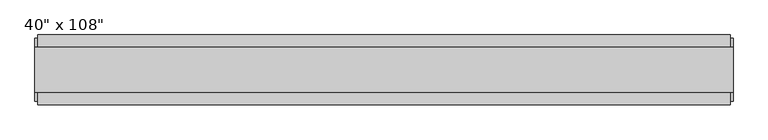
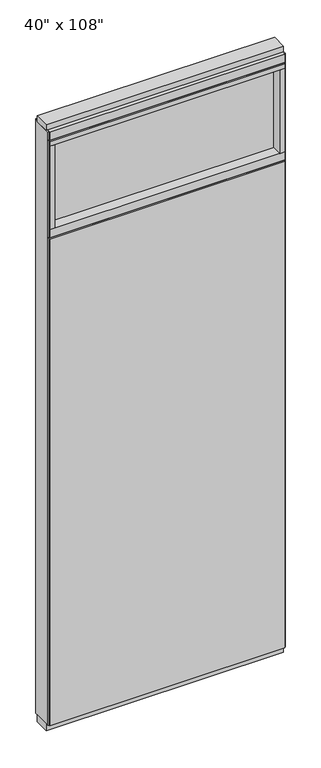
"""IFC4 building model written with IfcOpenShell, lengths in millimetres: furniture geometry."""

from ifc_helpers import new_model, si_unit, frame, origin, origin_with_axes, place, context, project, spatial, polyline, outline, extrude, source, transform, mapped, element, save


def furniture_68f4063a(model_context):
    return source(origin(), model_context, "Body", "SweptSolid", [
        extrude(outline(polyline([(444.0264771, 46.2822784), (444.0264771, 33.5822784), (-564.0995229, 33.5822784), (-564.0995229, 46.2822784), (444.0264771, 46.2822784)])), frame((0.0, 0.0, 31.75), z_axis=(0.0, 0.0, 1.0), x_axis=(1.0, 0.0, 0.0)), (0.0, 0.0, 1.0), 2203.45),
        extrude(outline(polyline([(444.0264771, -55.3177216), (-564.0995229, -55.3177216), (-564.0995229, -42.6177216), (444.0264771, -42.6177216), (444.0264771, -55.3177216)])), frame((0.0, 0.0, 31.75), z_axis=(0.0, 0.0, 1.0), x_axis=(1.0, 0.0, 0.0)), (0.0, 0.0, 1.0), 2203.45),
        extrude(outline(polyline([(421.8014771, -9.5977216), (-541.8745229, -9.5977216), (-541.8745229, 0.5622784), (421.8014771, 0.5622784), (421.8014771, -9.5977216)])), frame((0.0, 0.0, 2276.475), z_axis=(0.0, 0.0, 1.0), x_axis=(1.0, 0.0, 0.0)), (0.0, 0.0, 1.0), 377.825),
        extrude(outline(polyline([(421.8014771, -55.3177216), (421.8014771, 46.2822784), (444.0264771, 46.2822784), (444.0264771, -55.3177216), (421.8014771, -55.3177216)])), frame((0.0, 0.0, 2276.475), z_axis=(0.0, 0.0, 1.0), x_axis=(1.0, 0.0, 0.0)), (0.0, 0.0, 1.0), 377.825),
        extrude(outline(polyline([(-55.3177216, 2240.153), (-55.3177216, 2276.475), (46.2822784, 2276.475), (46.2822784, 2240.153), (41.3292784, 2240.153), (41.3292784, 2235.2), (-50.3647216, 2235.2), (-50.3647216, 2240.153), (-55.3177216, 2240.153)])), frame((-564.0995229, 0.0, 0.0), z_axis=(1.0, 0.0, 0.0), x_axis=(0.0, 1.0, 0.0)), (0.0, 0.0, 1.0), 1008.126),
        extrude(outline(polyline([(-541.8745229, -55.3177216), (-564.0995229, -55.3177216), (-564.0995229, 46.2822784), (-541.8745229, 46.2822784), (-541.8745229, -55.3177216)])), frame((0.0, 0.0, 2276.475), z_axis=(0.0, 0.0, 1.0), x_axis=(1.0, 0.0, 0.0)), (0.0, 0.0, 1.0), 377.825),
        extrude(outline(polyline([(447.9634771, 27.9942784), (447.9634771, -37.0297216), (-568.0365229, -37.0297216), (-568.0365229, 27.9942784), (447.9634771, 27.9942784)])), origin_with_axes(), (0.0, 0.0, 1.0), 31.75),
        extrude(outline(polyline([(-568.0365229, -37.0297216), (-568.0365229, 27.9942784), (447.9634771, 27.9942784), (447.9634771, -37.0297216), (-568.0365229, -37.0297216)])), frame((0.0, 0.0, 2717.8), z_axis=(0.0, 0.0, 1.0), x_axis=(1.0, 0.0, 0.0)), (0.0, 0.0, 1.0), 25.4),
        extrude(outline(polyline([(-55.3177216, 2681.478), (-55.3177216, 2717.8), (46.2822784, 2717.8), (46.2822784, 2681.478), (41.3292784, 2681.478), (41.3292784, 2676.525), (-50.3647216, 2676.525), (-50.3647216, 2681.478), (-55.3177216, 2681.478)])), frame((-564.0995229, 0.0, 0.0), z_axis=(1.0, 0.0, 0.0), x_axis=(0.0, 1.0, 0.0)), (0.0, 0.0, 1.0), 1008.126),
        extrude(outline(polyline([(444.0264771, 46.2822784), (444.0264771, -55.3177216), (-564.0995229, -55.3177216), (-564.0995229, 46.2822784), (444.0264771, 46.2822784)])), frame((0.0, 0.0, 2654.3), z_axis=(0.0, 0.0, 1.0), x_axis=(1.0, 0.0, 0.0)), (0.0, 0.0, 1.0), 22.225),
        extrude(outline(polyline([(447.9634771, -50.3647216), (444.0264771, -50.3647216), (444.0264771, 41.3292784), (447.9634771, 41.3292784), (447.9634771, -50.3647216)])), frame((0.0, 0.0, 31.75), z_axis=(0.0, 0.0, 1.0), x_axis=(1.0, 0.0, 0.0)), (0.0, 0.0, 1.0), 2686.05),
        extrude(outline(polyline([(-568.0365229, -50.3647216), (-568.0365229, 41.3292784), (-564.0995229, 41.3292784), (-564.0995229, -50.3647216), (-568.0365229, -50.3647216)])), frame((0.0, 0.0, 31.75), z_axis=(0.0, 0.0, 1.0), x_axis=(1.0, 0.0, 0.0)), (0.0, 0.0, 1.0), 2686.05),
    ])


if __name__ == "__main__":
    model = new_model("IFC4")
    model_context = context("Model", 3, world=origin())
    ifc_project = project(units=[si_unit("LENGTHUNIT", "METRE", prefix="MILLI")], contexts=[model_context])
    site = spatial("IfcSite", under=ifc_project)
    building = spatial("IfcBuilding", under=site)
    placement = place(None, origin())
    furniture_shape = furniture_68f4063a(model_context)
    element("IfcFurniture", 1, ObjectType="40\" x 108\"", at=placement, inside=building, context=model_context, shape_type="MappedRepresentation", body=[
        mapped(furniture_shape, transform((0.0, 0.0, 0.0), x_axis=(1.0, 0.0, 0.0), y_axis=(0.0, 1.0, 0.0), z_axis=(0.0, 0.0, 1.0))),
    ])
    save(model, "model.ifc")
